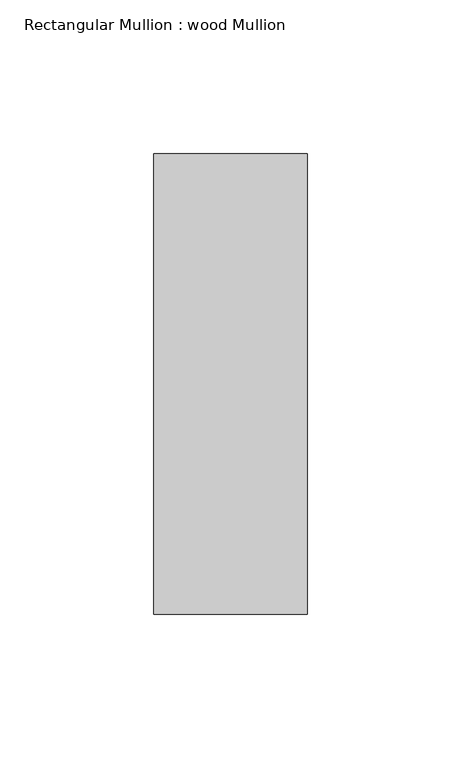
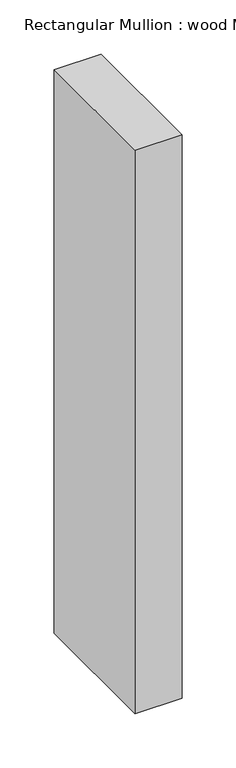
"""IFC4 building model written with IfcOpenShell, lengths in millimetres: member geometry, Rectangular Mullion : wood Mullion."""

from ifc_helpers import new_model, si_unit, frame, origin, place, context, project, spatial, polyline, outline, extrude, source, transform, mapped, element, save


def rectangular_mullion_wood_mullion_3f42bcbd(model_context):
    return source(origin(), model_context, "Body", "SweptSolid", [
        extrude(outline(polyline([(25.0, 75.0), (25.0, -75.0), (-25.0, -75.0), (-25.0, 75.0), (25.0, 75.0)])), frame((0.0, 0.0, -635.0), z_axis=(0.0, 0.0, 1.0), x_axis=(1.0, 0.0, 0.0)), (0.0, 0.0, 1.0), 635.0),
    ])


if __name__ == "__main__":
    model = new_model("IFC4")
    model_context = context("Model", 3, world=origin())
    ifc_project = project(units=[si_unit("LENGTHUNIT", "METRE", prefix="MILLI")], contexts=[model_context])
    site = spatial("IfcSite", under=ifc_project)
    building = spatial("IfcBuilding", under=site)
    placement = place(None, origin())
    rectangular_mullion_wood_mullion_shape = rectangular_mullion_wood_mullion_3f42bcbd(model_context)
    element("IfcMember", 1, ObjectType="Rectangular Mullion : wood Mullion", at=placement, inside=building, context=model_context, shape_type="MappedRepresentation", body=[
        mapped(rectangular_mullion_wood_mullion_shape, transform((0.0, 0.0, 0.0), x_axis=(1.0, 0.0, 0.0), y_axis=(0.0, 1.0, 0.0), z_axis=(0.0, 0.0, 1.0))),
    ])
    save(model, "model.ifc")
